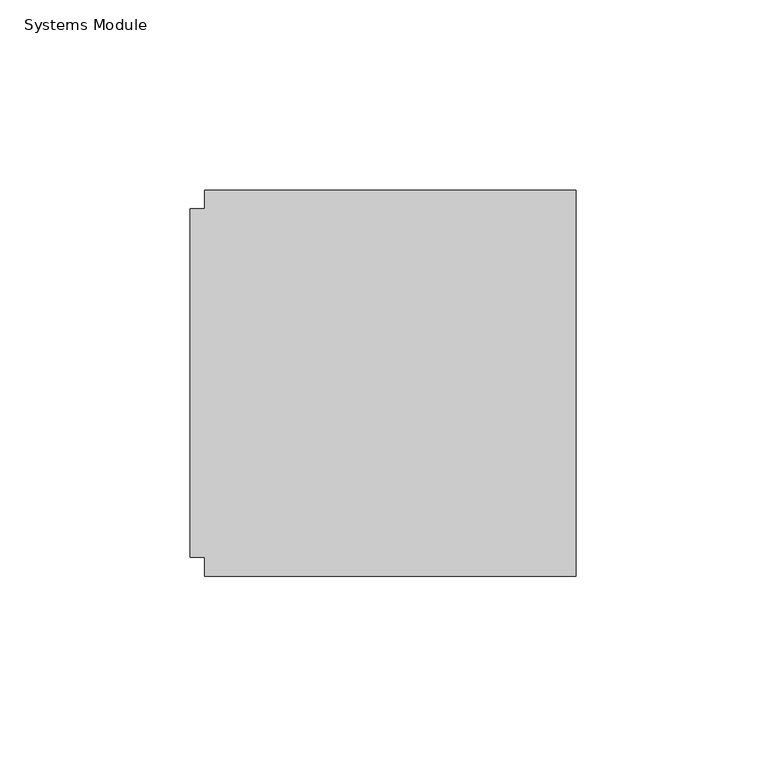
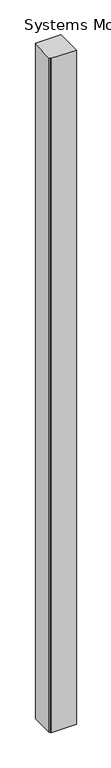
"""IFC4 building model written with IfcOpenShell, lengths in millimetres: furniture geometry, Systems Module."""

from ifc_helpers import new_model, si_unit, origin, origin_with_axes, place, context, project, spatial, polyline, outline, extrude, source, transform, mapped, element, save


def systems_module_df39f6fe(model_context):
    return source(origin(), model_context, "Body", "SweptSolid", [
        extrude(outline(polyline([(29.9771531, 66.301805), (127.6401531, 66.301805), (127.6401531, -35.298195), (29.9771531, -35.298195), (29.9771531, -30.345195), (26.0401531, -30.345195), (26.0401531, 61.348805), (29.9771531, 61.348805), (29.9771531, 66.301805)])), origin_with_axes(), (0.0, 0.0, 1.0), 2743.2),
    ])


if __name__ == "__main__":
    model = new_model("IFC4")
    model_context = context("Model", 3, world=origin())
    ifc_project = project(units=[si_unit("LENGTHUNIT", "METRE", prefix="MILLI")], contexts=[model_context])
    site = spatial("IfcSite", under=ifc_project)
    building = spatial("IfcBuilding", under=site)
    placement = place(None, origin())
    systems_module_shape = systems_module_df39f6fe(model_context)
    element("IfcFurniture", 1, ObjectType="Systems Module", at=placement, inside=building, context=model_context, shape_type="MappedRepresentation", body=[
        mapped(systems_module_shape, transform((0.0, 0.0, 0.0), x_axis=(1.0, 0.0, 0.0), y_axis=(0.0, 1.0, 0.0), z_axis=(0.0, 0.0, 1.0))),
    ])
    save(model, "model.ifc")
